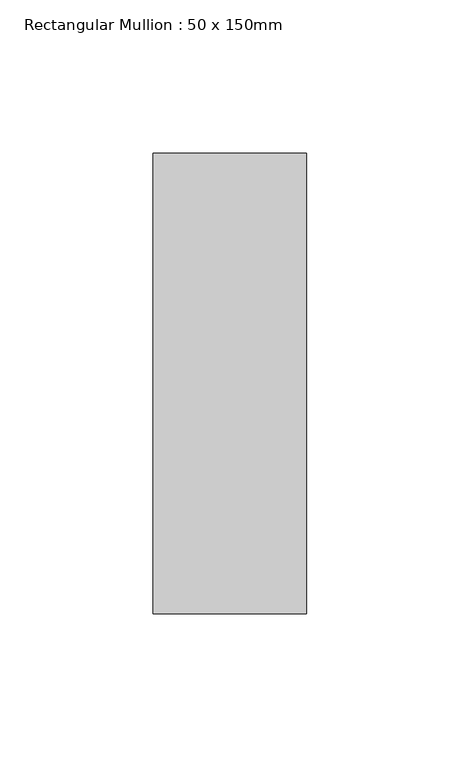
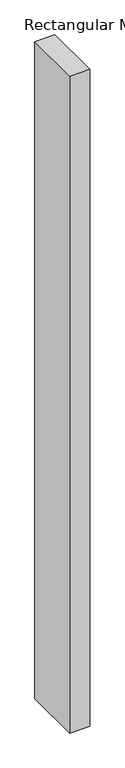
"""IFC4 building model written with IfcOpenShell, lengths in millimetres: member geometry, Rectangular Mullion : 50 x 150mm."""

import ifcopenshell
import ifcopenshell.guid

model = None  # the IFC model being written
_history = None  # IfcOwnerHistory: only IFC2X3 demands one
_inside = {}  # id of a spatial element -> (the spatial element, [elements in it])
_under = {}  # id of a project, library or spatial element -> (it, [spatial elements below it])
_declared = {}  # id of a project -> (the project, [libraries it declares])
_typed = {}  # id of a type object -> (the type object, [elements of that type])
_made_of = {}  # id of a material, layer set ... -> (it, [elements and type objects made of it])


def new_model(schema):
    """Start an empty IFC model of exactly this schema.

    Asked for "IFC4X3", IfcOpenShell would pick the latest addendum, in which some entities
    have other attributes; the version numbers below select the first issue.
    IFC2X3 requires an IfcOwnerHistory on every rooted entity: one is made here for all.
    """
    global model, _history
    if schema == "IFC4X3":
        model = ifcopenshell.file(schema_version=(4, 3, 0, 0))
    else:
        model = ifcopenshell.file(schema=schema)
    _inside.clear()
    _under.clear()
    _declared.clear()
    _typed.clear()
    _made_of.clear()
    _history = None
    if model.schema == "IFC2X3":
        org = make("IfcOrganization", Name="unknown")
        user = make(
            "IfcPersonAndOrganization",
            ThePerson=make("IfcPerson", FamilyName="unknown"),
            TheOrganization=org,
        )
        app = make(
            "IfcApplication",
            ApplicationDeveloper=org,
            Version="unknown",
            ApplicationFullName="unknown",
            ApplicationIdentifier="unknown",
        )
        _history = make(
            "IfcOwnerHistory",
            OwningUser=user,
            OwningApplication=app,
            ChangeAction="ADDED",
            CreationDate=0,
        )
    return model


def make(cls, **values):
    """One entity of the class cls with the attributes given. An attribute that is None is left unset."""
    return model.create_entity(
        cls, **{name: value for name, value in values.items() if value is not None}
    )


def rooted(cls, **values):
    """An entity with a GlobalId (a new one), such as an element, a storey or a relation."""
    return make(cls, GlobalId=ifcopenshell.guid.new(), OwnerHistory=_history, **values)


def si_unit(unit_type, name, prefix=None):
    """IfcSIUnit, for example si_unit("LENGTHUNIT", "METRE", prefix="MILLI")."""
    return make("IfcSIUnit", UnitType=unit_type, Prefix=prefix, Name=name)


def assignment(units):
    """IfcUnitAssignment: the units of a project."""
    return None if units is None else make("IfcUnitAssignment", Units=units)


def point(xyz):
    """IfcCartesianPoint."""
    return None if xyz is None else make("IfcCartesianPoint", Coordinates=xyz)


def direction(xyz):
    """IfcDirection."""
    return None if xyz is None else make("IfcDirection", DirectionRatios=xyz)


def frame(location, z_axis=None, x_axis=None):
    """IfcAxis2Placement3D, a coordinate frame: its origin and axes. An axis left out is left unset."""
    return make(
        "IfcAxis2Placement3D",
        Location=point(location),
        Axis=direction(z_axis),
        RefDirection=direction(x_axis),
    )


def origin():
    """The frame at (0, 0, 0) with its axes left unset."""
    return frame((0.0, 0.0, 0.0))


def place(relative_to, where):
    """IfcLocalPlacement: puts the frame where relative to a parent placement (None: the world)."""
    return make(
        "IfcLocalPlacement", PlacementRelTo=relative_to, RelativePlacement=where
    )


def context(
    kind, dimensions, precision=None, world=None, true_north=None, identifier=None
):
    """IfcGeometricRepresentationContext, for example the 3D "Model" context."""
    return make(
        "IfcGeometricRepresentationContext",
        ContextIdentifier=identifier,
        ContextType=kind,
        CoordinateSpaceDimension=dimensions,
        Precision=precision,
        WorldCoordinateSystem=world,
        TrueNorth=true_north,
    )


def project(units=None, contexts=None):
    """IfcProject with its units and contexts."""
    return rooted(
        "IfcProject",
        Name="project",
        RepresentationContexts=contexts,
        UnitsInContext=assignment(units),
    )


def spatial(cls, under=None, at=None, **own):
    """A site, building, storey or space (cls), placed at a placement, below another one or the project."""
    s = rooted(cls, ObjectPlacement=at, **own)
    if under is not None:
        _under.setdefault(under.id(), (under, []))[1].append(s)
    return s


def polyline(points):
    """IfcPolyline through the points."""
    return make("IfcPolyline", Points=[point(p) for p in points])


def outline(outer, holes=None, kind="AREA"):
    """IfcArbitraryClosedProfileDef: a profile drawn as a closed curve; with holes, ...WithVoids."""
    if holes is None:
        return make("IfcArbitraryClosedProfileDef", ProfileType=kind, OuterCurve=outer)
    return make(
        "IfcArbitraryProfileDefWithVoids",
        ProfileType=kind,
        OuterCurve=outer,
        InnerCurves=holes,
    )


def extrude(swept, where, along, depth):
    """IfcExtrudedAreaSolid: the profile swept, set in the frame where, extruded along a direction by depth."""
    return make(
        "IfcExtrudedAreaSolid",
        SweptArea=swept,
        Position=where,
        ExtrudedDirection=direction(along),
        Depth=depth,
    )


def shape(context_of_items, identifier, shape_type, items):
    """IfcShapeRepresentation: the items that make up one representation, for example the "Body"."""
    return make(
        "IfcShapeRepresentation",
        ContextOfItems=context_of_items,
        RepresentationIdentifier=identifier,
        RepresentationType=shape_type,
        Items=items,
    )


def source(mapping_origin, context_of_items, identifier, shape_type, items):
    """IfcRepresentationMap: a shape defined once, which mapped items show again and again."""
    return make(
        "IfcRepresentationMap",
        MappingOrigin=mapping_origin,
        MappedRepresentation=shape(context_of_items, identifier, shape_type, items),
    )


def transform(
    local_origin,
    x_axis=None,
    y_axis=None,
    z_axis=None,
    scale=None,
    scale2=None,
    scale3=None,
    uniform=True,
):
    """IfcCartesianTransformationOperator3D, or its non-uniform kind. x_axis, y_axis, z_axis: its Axis1, 2, 3."""
    if uniform:
        return make(
            "IfcCartesianTransformationOperator3D",
            Axis1=direction(x_axis),
            Axis2=direction(y_axis),
            LocalOrigin=point(local_origin),
            Scale=scale,
            Axis3=direction(z_axis),
        )
    return make(
        "IfcCartesianTransformationOperator3DnonUniform",
        Axis1=direction(x_axis),
        Axis2=direction(y_axis),
        LocalOrigin=point(local_origin),
        Scale=scale,
        Axis3=direction(z_axis),
        Scale2=scale2,
        Scale3=scale3,
    )


def mapped(mapping_source, mapping_target):
    """IfcMappedItem: shows the shape of a source again, moved by a transform."""
    return make(
        "IfcMappedItem", MappingSource=mapping_source, MappingTarget=mapping_target
    )


def made_of(thing, what):
    """Note that an element or type object is made of a material, layer set ...; save() writes the relation."""
    if what is not None:
        _made_of.setdefault(what.id(), (what, []))[1].append(thing)
    return thing


def element(
    cls,
    number,
    at=None,
    inside=None,
    cuts=None,
    type_object=None,
    material=None,
    context=None,
    identifier="Body",
    shape_type=None,
    held_by="IfcProductDefinitionShape",
    body=None,
    shapes=None,
    **own,
):
    """One element of the class cls, such as IfcWall. Its Tag is "e" and its number.

    at: its placement. inside: the storey or other place that contains it. cuts: it is an
    opening in that element (IfcRelVoidsElement). A single representation is given by context,
    identifier, shape_type and body (its items); several are given by shapes. held_by: the class
    of the entity that holds the representations. save() writes the other relations.
    """
    e = rooted(cls, Tag="e%d" % number, ObjectPlacement=at, **own)
    if body is not None:
        shapes = [shape(context, identifier, shape_type, body)]
    if shapes is not None:
        e.Representation = make(held_by, Representations=shapes)
    if inside is not None:
        _inside.setdefault(inside.id(), (inside, []))[1].append(e)
    if cuts is not None:
        rooted(
            "IfcRelVoidsElement", RelatingBuildingElement=cuts, RelatedOpeningElement=e
        )
    if type_object is not None:
        _typed.setdefault(type_object.id(), (type_object, []))[1].append(e)
    return made_of(e, material)


def aggregate(whole, parts):
    """IfcRelAggregates: a whole, such as a stair, and the parts it consists of."""
    return rooted("IfcRelAggregates", RelatingObject=whole, RelatedObjects=parts)


def save(model, path):
    """Write the relations noted so far, then the file.

    IfcRelAggregates (storeys below a building ...), IfcRelContainedInSpatialStructure (elements
    in a storey), IfcRelDefinesByType, IfcRelAssociatesMaterial and IfcRelDeclares: one each for
    every whole, place, type object, material and project.
    """
    for whole, parts in _under.values():
        aggregate(whole, parts)
    for where, things in _inside.values():
        rooted(
            "IfcRelContainedInSpatialStructure",
            RelatedElements=things,
            RelatingStructure=where,
        )
    for kind, things in _typed.values():
        rooted("IfcRelDefinesByType", RelatedObjects=things, RelatingType=kind)
    for what, things in _made_of.values():
        rooted("IfcRelAssociatesMaterial", RelatedObjects=things, RelatingMaterial=what)
    for by, libraries in _declared.values():
        rooted("IfcRelDeclares", RelatingContext=by, RelatedDefinitions=libraries)
    model.write(path)


def rectangular_mullion_50_x_150mm_bc9d6eb7(model_context):
    return source(origin(), model_context, "Body", "SweptSolid", [
        extrude(outline(polyline([(25.0, 75.0), (25.0, -75.0), (-25.0, -75.0), (-25.0, 75.0), (25.0, 75.0)])), frame((0.0, 0.0, -1730.0), z_axis=(0.0, 0.0, 1.0), x_axis=(1.0, 0.0, 0.0)), (0.0, 0.0, 1.0), 1730.0),
    ])


if __name__ == "__main__":
    model = new_model("IFC4")
    model_context = context("Model", 3, world=origin())
    ifc_project = project(units=[si_unit("LENGTHUNIT", "METRE", prefix="MILLI")], contexts=[model_context])
    site = spatial("IfcSite", under=ifc_project)
    building = spatial("IfcBuilding", under=site)
    placement = place(None, origin())
    rectangular_mullion_50_x_150mm_shape = rectangular_mullion_50_x_150mm_bc9d6eb7(model_context)
    element("IfcMember", 1, ObjectType="Rectangular Mullion : 50 x 150mm", at=placement, inside=building, context=model_context, shape_type="MappedRepresentation", body=[
        mapped(rectangular_mullion_50_x_150mm_shape, transform((0.0, 0.0, 0.0), x_axis=(1.0, 0.0, 0.0), y_axis=(0.0, 1.0, 0.0), z_axis=(0.0, 0.0, 1.0))),
    ])
    save(model, "model.ifc")
